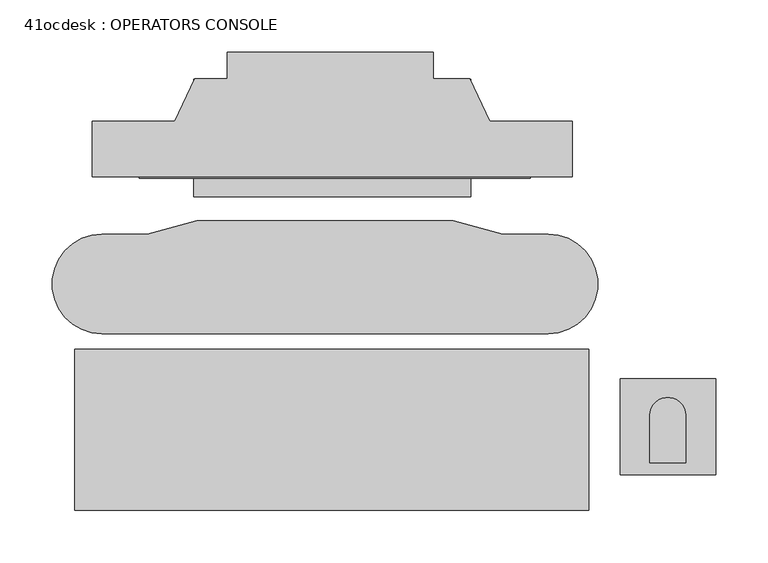
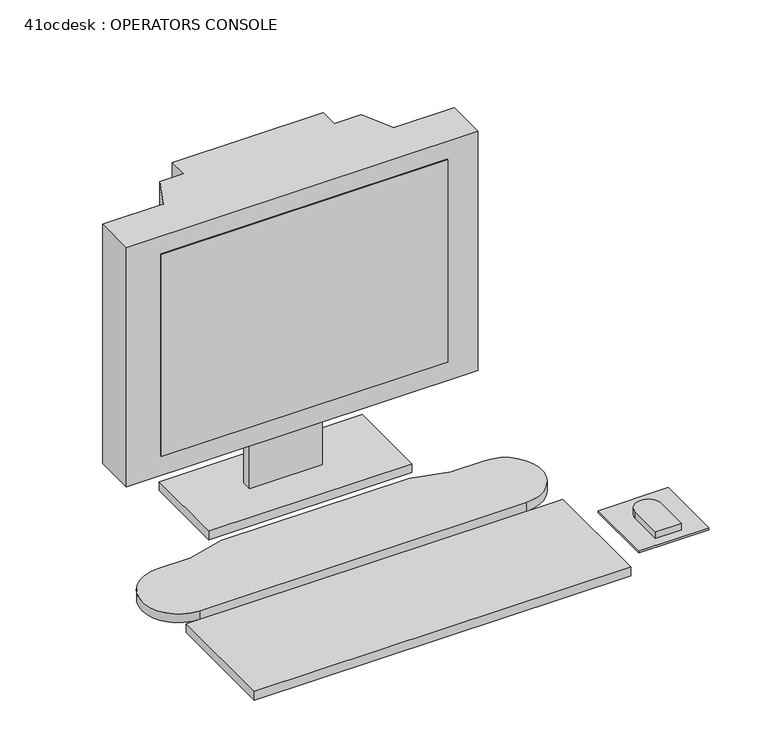
"""IFC4 building model written with IfcOpenShell, lengths in millimetres: proxy geometry, 41ocdesk : OPERATORS CONSOLE."""

from ifc_helpers import new_model, si_unit, point, frame, frame_2d, origin, place, context, project, spatial, polyline, circle_curve, trimmed, segment, composite_curve, outline, extrude, source, transform, mapped, element, save


def proxy_41ocdesk_operators_console_435b5095(model_context):
    return source(origin(), model_context, "Body", "SweptSolid", [
        extrude(outline(polyline([(80.7677986, 161.2631764), (455.4177986, 161.2631764), (455.4177986, 155.3493973), (80.7677986, 155.3493973), (80.7677986, 161.2631764)])), frame((0.0, 0.0, 1037.0308248), z_axis=(0.0, 0.0, 1.0), x_axis=(1.0, 0.0, 0.0)), (0.0, 0.0, 1.0), 279.4),
        extrude(outline(composite_curve([segment(polyline([(88.6581812, 101.9531592), (136.1482066, 114.6780732), (381.3333715, 114.6780732), (428.8233969, 101.9531592), (472.351216, 101.9531592)]), True, "CONTINUOUS"), segment(trimmed(circle_curve(frame_2d((472.351216, 54.3406162)), 47.612543), [point((472.351216, 101.9531592))], [point((472.351216, 6.7280732))], False, "CARTESIAN"), True, "CONTINUOUS"), segment(polyline([(472.351216, 6.7280732), (45.1303622, 6.7280732)]), True, "CONTINUOUS"), segment(trimmed(circle_curve(frame_2d((45.1303622, 54.3406162)), 47.612543), [point((45.1303622, 6.7280732))], [point((45.1303622, 101.9531592))], False, "CARTESIAN"), True, "CONTINUOUS"), segment(polyline([(45.1303622, 101.9531592), (88.6581812, 101.9531592)]), True, "CONTINUOUS")], self_intersect=False)), frame((0.0, 0.0, 914.4), z_axis=(0.0, 0.0, 1.0), x_axis=(1.0, 0.0, 0.0)), (0.0, 0.0, 1.0), 12.2153731),
        extrude(outline(polyline([(632.8903386, -36.5147613), (632.8903386, -128.4553425), (541.5157866, -128.4553425), (541.5157866, -36.5147613), (632.8903386, -36.5147613)])), frame((0.0, 0.0, 914.4), z_axis=(0.0, 0.0, 1.0), x_axis=(1.0, 0.0, 0.0)), (0.0, 0.0, 1.0), 2.9133962),
        extrude(outline(composite_curve([segment(trimmed(circle_curve(frame_2d((586.9024703, -71.4314731)), 17.0826805), [point((569.8197898, -71.4314731))], [point((603.9851508, -71.4314731))], False, "CARTESIAN"), True, "CONTINUOUS"), segment(polyline([(603.9851508, -71.4314731), (603.9851508, -116.7255258), (569.8197898, -116.7255258), (569.8197898, -71.4314731)]), True, "CONTINUOUS")], self_intersect=False)), frame((0.0, 0.0, 917.3133962), z_axis=(0.0, 0.0, 1.0), x_axis=(1.0, 0.0, 0.0)), (0.0, 0.0, 1.0), 9.3019768),
        extrude(outline(polyline([(398.4235561, 137.6871801), (132.8515384, 137.6871801), (132.8515384, 250.1532972), (398.4235561, 250.1532972), (398.4235561, 137.6871801)])), frame((0.0, 0.0, 914.4), z_axis=(0.0, 0.0, 1.0), x_axis=(1.0, 0.0, 0.0)), (0.0, 0.0, 1.0), 12.2153731),
        extrude(outline(polyline([(309.5235561, 186.672126), (214.2735561, 186.672126), (214.2735561, 199.3532972), (309.5235561, 199.3532972), (309.5235561, 186.672126)])), frame((0.0, 0.0, 926.6153731), z_axis=(0.0, 0.0, 1.0), x_axis=(1.0, 0.0, 0.0)), (0.0, 0.0, 1.0), 83.6809533),
        extrude(outline(polyline([(35.7723539, 156.7371801), (35.7723539, 210.0771801), (114.9334076, 210.0771801), (133.8841508, 250.7171801), (165.3123539, 250.7171801), (165.3123539, 276.1171801), (362.1623539, 276.1171801), (362.1623539, 250.7171801), (397.4005571, 250.7171801), (416.3513003, 210.0771801), (495.5123539, 210.0771801), (495.5123539, 156.7371801), (35.7723539, 156.7371801)])), frame((0.0, 0.0, 1010.2963264), z_axis=(0.0, 0.0, 1.0), x_axis=(1.0, 0.0, 0.0)), (0.0, 0.0, 1.0), 330.8236736),
        extrude(outline(polyline([(511.1572034, -162.5962724), (19.1785073, -162.5962724), (19.1785073, -8.0971699), (511.1572034, -8.0971699), (511.1572034, -162.5962724)])), frame((0.0, 0.0, 914.4), z_axis=(0.0, 0.0, 1.0), x_axis=(1.0, 0.0, 0.0)), (0.0, 0.0, 1.0), 12.2153731),
    ])


if __name__ == "__main__":
    model = new_model("IFC4")
    model_context = context("Model", 3, world=origin())
    ifc_project = project(units=[si_unit("LENGTHUNIT", "METRE", prefix="MILLI")], contexts=[model_context])
    site = spatial("IfcSite", under=ifc_project)
    building = spatial("IfcBuilding", under=site)
    placement = place(None, origin())
    proxy_41ocdesk_operators_console_shape = proxy_41ocdesk_operators_console_435b5095(model_context)
    element("IfcBuildingElementProxy", 1, Name="41ocdesk : OPERATORS CONSOLE", ObjectType="41ocdesk : OPERATORS CONSOLE", at=placement, inside=building, context=model_context, shape_type="MappedRepresentation", body=[
        mapped(proxy_41ocdesk_operators_console_shape, transform((0.0, 0.0, 0.0), x_axis=(1.0, 0.0, 0.0), y_axis=(0.0, 1.0, 0.0), z_axis=(0.0, 0.0, 1.0))),
    ])
    save(model, "model.ifc")
